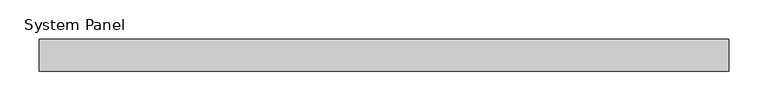
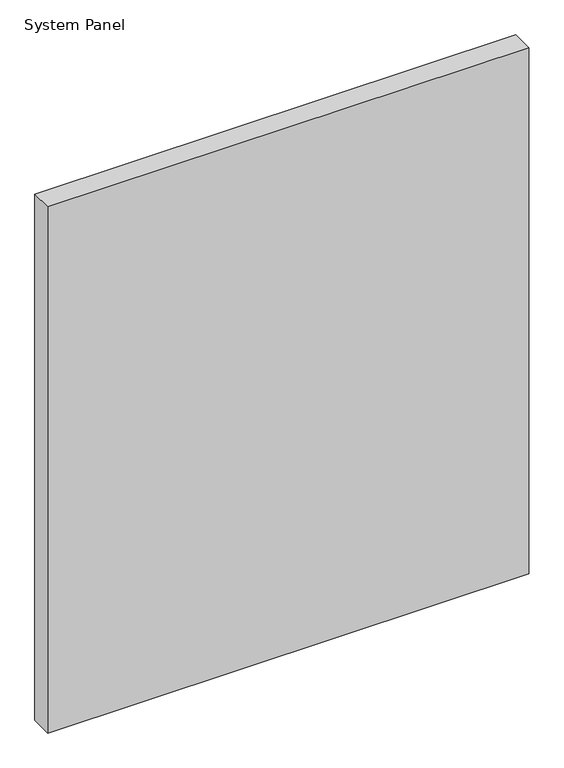
"""IFC4 building model written with IfcOpenShell, lengths in millimetres: plate geometry, System Panel."""

from ifc_helpers import new_model, si_unit, origin, origin_with_axes, place, context, project, spatial, polyline, outline, extrude, source, transform, mapped, element, save


def system_panel_368d7451(model_context):
    return source(origin(), model_context, "Body", "SweptSolid", [
        extrude(outline(polyline([(436.6666667, 14.0), (-436.6666667, 14.0), (-436.6666667, 54.0), (436.6666667, 54.0), (436.6666667, 14.0)])), origin_with_axes(), (0.0, 0.0, 1.0), 1010.0),
    ])


if __name__ == "__main__":
    model = new_model("IFC4")
    model_context = context("Model", 3, world=origin())
    ifc_project = project(units=[si_unit("LENGTHUNIT", "METRE", prefix="MILLI")], contexts=[model_context])
    site = spatial("IfcSite", under=ifc_project)
    building = spatial("IfcBuilding", under=site)
    placement = place(None, origin())
    system_panel_shape = system_panel_368d7451(model_context)
    element("IfcPlate", 1, ObjectType="System Panel", at=placement, inside=building, context=model_context, shape_type="MappedRepresentation", body=[
        mapped(system_panel_shape, transform((0.0, 0.0, 0.0), x_axis=(1.0, 0.0, 0.0), y_axis=(0.0, 1.0, 0.0), z_axis=(0.0, 0.0, 1.0))),
    ])
    save(model, "model.ifc")
